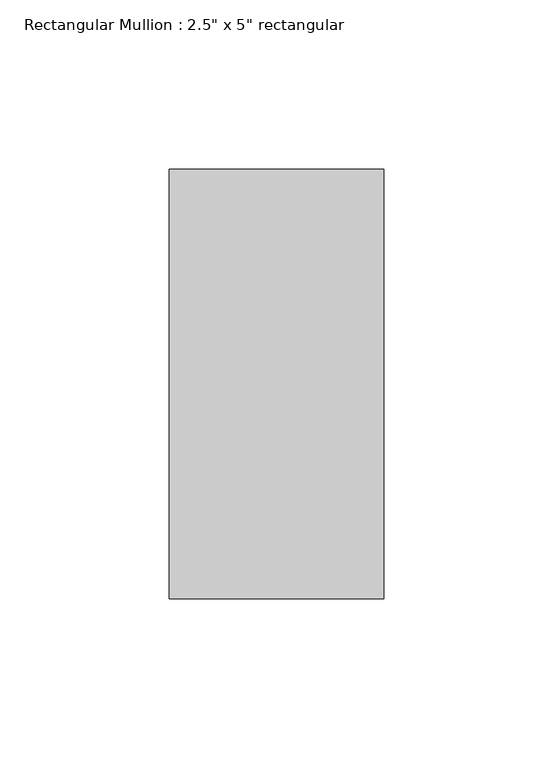
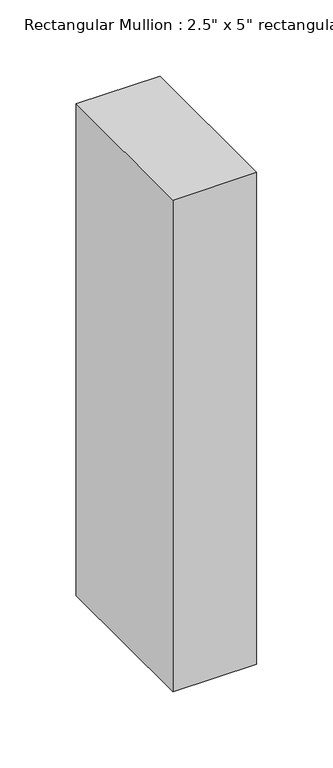
"""IFC4 building model written with IfcOpenShell, lengths in millimetres: member geometry."""

from ifc_helpers import new_model, si_unit, frame, origin, place, context, project, spatial, polyline, outline, extrude, source, transform, mapped, element, save


def member_951753a7(model_context):
    return source(origin(), model_context, "Body", "SweptSolid", [
        extrude(outline(polyline([(31.75, 63.5), (31.75, -63.5), (-31.75, -63.5), (-31.75, 63.5), (31.75, 63.5)])), frame((0.0, 0.0, -393.7), z_axis=(0.0, 0.0, 1.0), x_axis=(1.0, 0.0, 0.0)), (0.0, 0.0, 1.0), 393.7),
    ])


if __name__ == "__main__":
    model = new_model("IFC4")
    model_context = context("Model", 3, world=origin())
    ifc_project = project(units=[si_unit("LENGTHUNIT", "METRE", prefix="MILLI")], contexts=[model_context])
    site = spatial("IfcSite", under=ifc_project)
    building = spatial("IfcBuilding", under=site)
    placement = place(None, origin())
    member_shape = member_951753a7(model_context)
    element("IfcMember", 1, ObjectType="Rectangular Mullion : 2.5\" x 5\" rectangular", at=placement, inside=building, context=model_context, shape_type="MappedRepresentation", body=[
        mapped(member_shape, transform((0.0, 0.0, 0.0), x_axis=(1.0, 0.0, 0.0), y_axis=(0.0, 1.0, 0.0), z_axis=(0.0, 0.0, 1.0))),
    ])
    save(model, "model.ifc")
